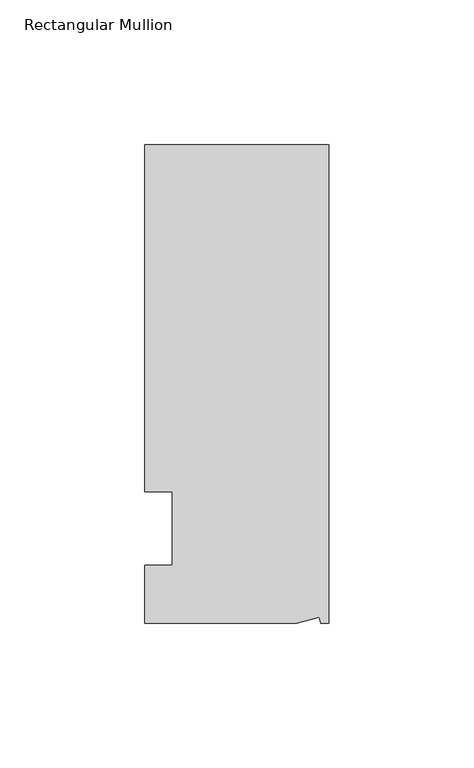
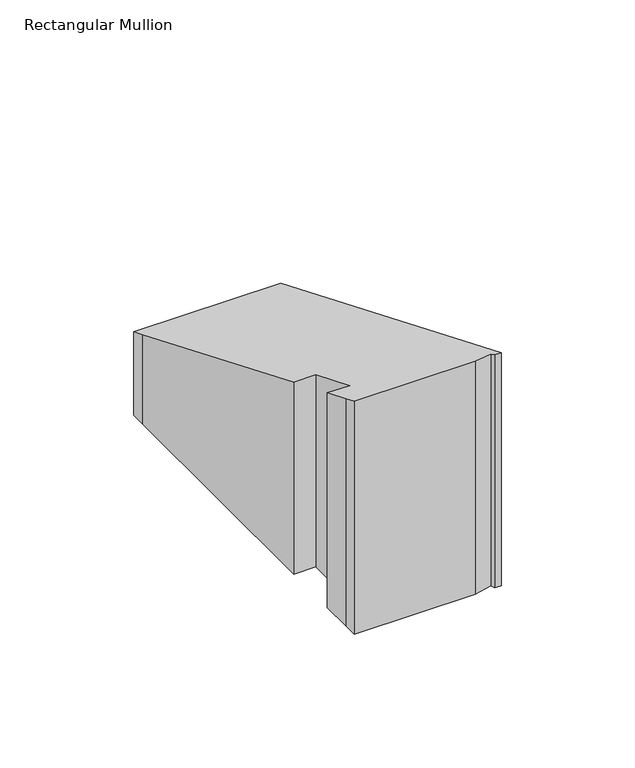
"""IFC4 building model written with IfcOpenShell, lengths in millimetres: member geometry, Rectangular Mullion."""

from ifc_helpers import new_model, si_unit, origin, place, context, project, spatial, faceted_brep, source, transform, mapped, element, save


def rectangular_mullion_de0a6fe2(model_context):
    return source(origin(), model_context, "Body", "Brep", [
        faceted_brep([(0.0, 132.5561012, -93.004936), (0.0, -32.5438988, -93.004936), (-2.7616541, -32.5438988, -93.004936), (-3.3341886, -30.4622958, -93.004936), (-11.121847, -32.5438988, -93.004936), (-63.5, -32.5438988, -93.004936), (-63.5, -26.1938988, -93.004936), (-63.5, -12.5945801, -93.004936), (-53.975, -12.5945801, -93.004936), (-53.975, 12.8054199, -93.004936), (-63.5, 12.8054199, -93.004936), (-63.5, 126.2061012, -93.004936), (-63.5, 132.5561012, -93.004936), (-63.5, 132.5561012, -54.9065349), (0.0, 132.5561012, -54.9065349), (-63.5, 126.2061012, -52.2762788), (-63.5, 12.8054199, -5.3041786), (-53.975, 12.8054199, -5.3041786), (-53.975, -12.5945801, 5.2168459), (-63.5, -12.5945801, 5.2168459), (-63.5, -26.1938988, 10.8498681), (-63.5, -32.5438988, 13.4801243), (-11.121847, -32.5438988, 13.4801243), (-3.3341886, -30.4622958, 12.617896), (-2.7616541, -32.5438988, 13.4801243), (0.0, -32.5438988, 13.4801243)], [[[0, 1, 2, 3, 4, 5, 6, 7, 8, 9, 10, 11, 12]], [[13, 14, 0, 12]], [[15, 13, 12, 11]], [[16, 15, 11, 10]], [[17, 16, 10, 9]], [[18, 17, 9, 8]], [[19, 18, 8, 7]], [[20, 19, 7, 6]], [[21, 20, 6, 5]], [[22, 21, 5, 4]], [[23, 22, 4, 3]], [[24, 23, 3, 2]], [[25, 24, 2, 1]], [[14, 25, 1, 0]], [[14, 13, 15, 16, 17, 18, 19, 20, 21, 22, 23, 24, 25]]]),
    ])


if __name__ == "__main__":
    model = new_model("IFC4")
    model_context = context("Model", 3, world=origin())
    ifc_project = project(units=[si_unit("LENGTHUNIT", "METRE", prefix="MILLI")], contexts=[model_context])
    site = spatial("IfcSite", under=ifc_project)
    building = spatial("IfcBuilding", under=site)
    placement = place(None, origin())
    rectangular_mullion_shape = rectangular_mullion_de0a6fe2(model_context)
    element("IfcMember", 1, ObjectType="Rectangular Mullion", at=placement, inside=building, context=model_context, shape_type="MappedRepresentation", body=[
        mapped(rectangular_mullion_shape, transform((0.0, 0.0, 0.0), x_axis=(1.0, 0.0, 0.0), y_axis=(0.0, 1.0, 0.0), z_axis=(0.0, 0.0, 1.0))),
    ])
    save(model, "model.ifc")
